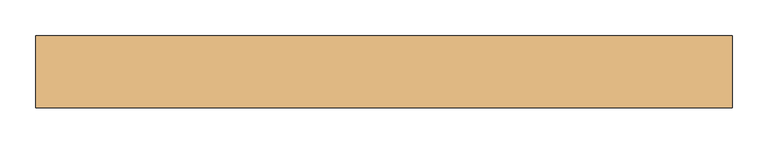
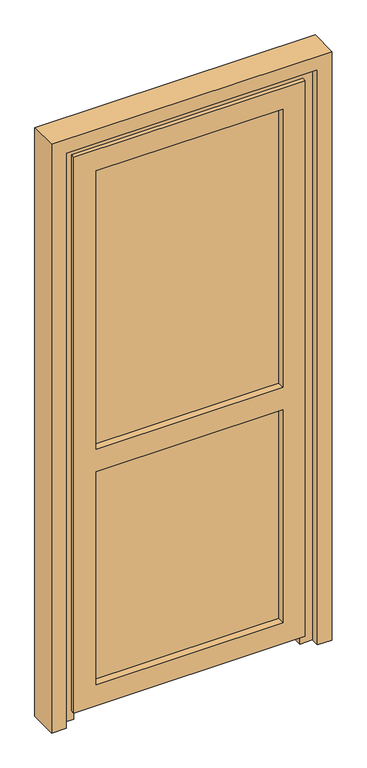
"""IFC4 building model written with IfcOpenShell, lengths in millimetres: door geometry."""

from ifc_helpers import new_model, si_unit, frame, origin, place, context, project, spatial, polyline, outline, extrude, faceted_brep, source, transform, mapped, element, save


def door_21ce12cb(model_context):
    return source(origin(), model_context, "Body", "SolidModel", [
        extrude(outline(polyline([(-338.0, 23.0), (338.0, 23.0), (338.0, -1.0), (-338.0, -1.0), (-338.0, 23.0)])), frame((0.0, 0.0, 956.0), z_axis=(0.0, 0.0, 1.0), x_axis=(1.0, 0.0, 0.0)), (0.0, 0.0, 1.0), 1047.0),
        extrude(outline(polyline([(-338.0, 23.0), (338.0, 23.0), (338.0, -1.0), (-338.0, -1.0), (-338.0, 23.0)])), frame((0.0, 0.0, 97.0), z_axis=(0.0, 0.0, 1.0), x_axis=(1.0, 0.0, 0.0)), (0.0, 0.0, 1.0), 807.0),
        faceted_brep([(-323.0, -27.0, 112.0), (-323.0, -1.0, 112.0), (-323.0, -1.0, 889.0), (-323.0, -27.0, 889.0), (-323.0, -1.0, 1988.0), (-323.0, -27.0, 1988.0), (-323.0, -27.0, 971.0), (-323.0, -1.0, 971.0), (-338.0, -1.0, 904.0), (-338.0, -1.0, 97.0), (-338.0, 23.0, 97.0), (-338.0, 23.0, 904.0), (-338.0, 23.0, 956.0), (-338.0, 23.0, 2003.0), (-338.0, -1.0, 2003.0), (-338.0, -1.0, 956.0), (-323.0, 23.0, 112.0), (-323.0, 43.0, 112.0), (-323.0, 43.0, 889.0), (-323.0, 23.0, 889.0), (-323.0, 43.0, 1988.0), (-323.0, 23.0, 1988.0), (-323.0, 23.0, 971.0), (-323.0, 43.0, 971.0), (-380.0, -13.0, 2045.0), (-380.0, 43.0, 2045.0), (-380.0, 43.0, 55.0), (-380.0, -13.0, 55.0), (-380.0, -13.0, 889.0), (-380.0, -13.0, 971.0), (-400.0, -27.0, 2065.0), (-400.0, -13.0, 2065.0), (-400.0, -13.0, 35.0), (-400.0, -27.0, 35.0), (323.0, -27.0, 112.0), (323.0, -1.0, 112.0), (338.0, -1.0, 97.0), (338.0, 23.0, 97.0), (323.0, 23.0, 112.0), (323.0, 43.0, 112.0), (380.0, 43.0, 55.0), (380.0, -13.0, 55.0), (400.0, -13.0, 35.0), (400.0, -27.0, 35.0), (323.0, -27.0, 889.0), (323.0, -1.0, 889.0), (323.0, -27.0, 1988.0), (323.0, -1.0, 1988.0), (323.0, -1.0, 971.0), (323.0, -27.0, 971.0), (338.0, -1.0, 956.0), (338.0, -1.0, 2003.0), (338.0, 23.0, 2003.0), (338.0, 23.0, 956.0), (338.0, 23.0, 904.0), (338.0, -1.0, 904.0), (323.0, 23.0, 889.0), (323.0, 43.0, 889.0), (323.0, 23.0, 1988.0), (323.0, 43.0, 1988.0), (323.0, 43.0, 971.0), (323.0, 23.0, 971.0), (380.0, 43.0, 2045.0), (380.0, -13.0, 2045.0), (380.0, -13.0, 971.0), (380.0, -13.0, 889.0), (400.0, -13.0, 2065.0), (400.0, -27.0, 2065.0)], [[[0, 1, 2, 3]], [[4, 5, 6, 7]], [[8, 9, 10, 11]], [[12, 13, 14, 15]], [[16, 17, 18, 19]], [[20, 21, 22, 23]], [[24, 25, 26, 27, 28, 29]], [[30, 31, 32, 33]], [[1, 0, 34, 35]], [[10, 9, 36, 37]], [[17, 16, 38, 39]], [[27, 26, 40, 41]], [[33, 32, 42, 43]], [[35, 34, 44, 45]], [[46, 47, 48, 49]], [[50, 51, 52, 53]], [[54, 37, 36, 55]], [[39, 38, 56, 57]], [[58, 59, 60, 61]], [[41, 40, 62, 63, 64, 65]], [[43, 42, 66, 67]], [[5, 4, 47, 46]], [[36, 9, 8, 55], [1, 35, 45, 2]], [[14, 51, 50, 15], [47, 4, 7, 48]], [[14, 13, 52, 51]], [[10, 37, 54, 11], [16, 19, 56, 38]], [[52, 13, 12, 53], [58, 61, 22, 21]], [[21, 20, 59, 58]], [[40, 26, 25, 62], [20, 23, 60, 59], [17, 39, 57, 18]], [[25, 24, 63, 62]], [[32, 31, 66, 42], [27, 41, 65, 64, 63, 24, 29, 28]], [[31, 30, 67, 66]], [[30, 33, 43, 67], [34, 0, 3, 44], [46, 49, 6, 5]], [[22, 61, 60, 23]], [[56, 19, 18, 57]], [[11, 54, 55, 8]], [[44, 3, 2, 45]], [[6, 49, 48, 7]], [[53, 12, 15, 50]]]),
        faceted_brep([(372.0, 59.0, 0.0), (435.0, 59.0, 0.0), (435.0, -11.0, 0.0), (392.0, -11.0, 0.0), (392.0, 45.0, 0.0), (372.0, 45.0, 0.0), (372.0, 59.0, 2037.0), (-372.0, 59.0, 2037.0), (-372.0, 59.0, 0.0), (-435.0, 59.0, 0.0), (-435.0, 59.0, 2100.0), (435.0, 59.0, 2100.0), (435.0, -11.0, 2100.0), (-435.0, -11.0, 2100.0), (-435.0, -11.0, 0.0), (-392.0, -11.0, 0.0), (-392.0, -11.0, 2057.0), (392.0, -11.0, 2057.0), (392.0, 45.0, 2057.0), (-392.0, 45.0, 2057.0), (-392.0, 45.0, 0.0), (-372.0, 45.0, 0.0), (-372.0, 45.0, 2037.0), (372.0, 45.0, 2037.0)], [[[0, 1, 2, 3, 4, 5]], [[1, 0, 6, 7, 8, 9, 10, 11]], [[2, 1, 11, 12]], [[3, 2, 12, 13, 14, 15, 16, 17]], [[4, 3, 17, 18]], [[5, 4, 18, 19, 20, 21, 22, 23]], [[0, 5, 23, 6]], [[7, 22, 21, 8]], [[8, 21, 20, 15, 14, 9]], [[13, 10, 9, 14]], [[19, 16, 15, 20]], [[12, 11, 10, 13]], [[18, 17, 16, 19]], [[6, 23, 22, 7]]]),
        extrude(outline(polyline([(0.0, 435.0), (0.0, 485.0), (2150.0, 485.0), (2150.0, -485.0), (0.0, -485.0), (0.0, -435.0), (2100.0, -435.0), (2100.0, 435.0), (0.0, 435.0)])), frame((0.0, -41.0, 0.0), z_axis=(0.0, 1.0, 0.0), x_axis=(0.0, 0.0, 1.0)), (0.0, 0.0, 1.0), 100.0),
    ])


if __name__ == "__main__":
    model = new_model("IFC4")
    model_context = context("Model", 3, world=origin())
    ifc_project = project(units=[si_unit("LENGTHUNIT", "METRE", prefix="MILLI")], contexts=[model_context])
    site = spatial("IfcSite", under=ifc_project)
    building = spatial("IfcBuilding", under=site)
    placement = place(None, origin())
    door_shape = door_21ce12cb(model_context)
    element("IfcDoor", 1, at=placement, inside=building, context=model_context, shape_type="MappedRepresentation", body=[
        mapped(door_shape, transform((0.0, 0.0, 0.0), x_axis=(1.0, 0.0, 0.0), y_axis=(0.0, 1.0, 0.0), z_axis=(0.0, 0.0, 1.0))),
    ])
    save(model, "model.ifc")
